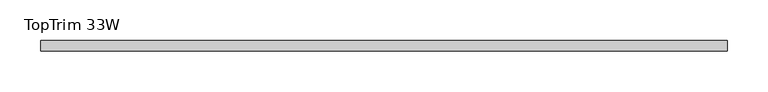
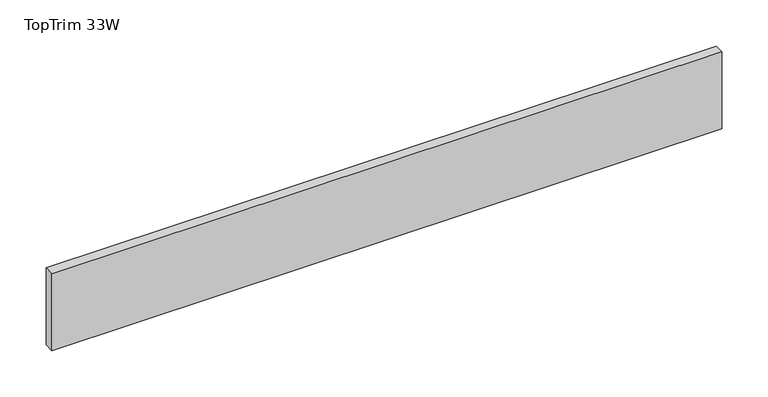
"""IFC4 building model written with IfcOpenShell, lengths in millimetres: furniture geometry, TopTrim 33W."""

from ifc_helpers import new_model, si_unit, frame, origin, place, context, project, spatial, polyline, outline, extrude, source, transform, mapped, element, save


def toptrim_33w_0645642c(model_context):
    return source(origin(), model_context, "Body", "SweptSolid", [
        extrude(outline(polyline([(0.0, -50.8000015), (0.0, -38.1), (838.2, -38.1), (838.2, -50.8000015), (0.0, -50.8000015)])), frame((0.0, 0.0, 2184.4), z_axis=(0.0, 0.0, 1.0), x_axis=(1.0, 0.0, 0.0)), (0.0, 0.0, 1.0), 101.600003),
    ])


if __name__ == "__main__":
    model = new_model("IFC4")
    model_context = context("Model", 3, world=origin())
    ifc_project = project(units=[si_unit("LENGTHUNIT", "METRE", prefix="MILLI")], contexts=[model_context])
    site = spatial("IfcSite", under=ifc_project)
    building = spatial("IfcBuilding", under=site)
    placement = place(None, origin())
    toptrim_33w_shape = toptrim_33w_0645642c(model_context)
    element("IfcFurniture", 1, ObjectType="TopTrim 33W", at=placement, inside=building, context=model_context, shape_type="MappedRepresentation", body=[
        mapped(toptrim_33w_shape, transform((0.0, 0.0, 0.0), x_axis=(1.0, 0.0, 0.0), y_axis=(0.0, 1.0, 0.0), z_axis=(0.0, 0.0, 1.0))),
    ])
    save(model, "model.ifc")
